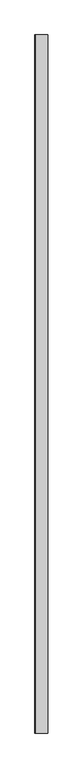
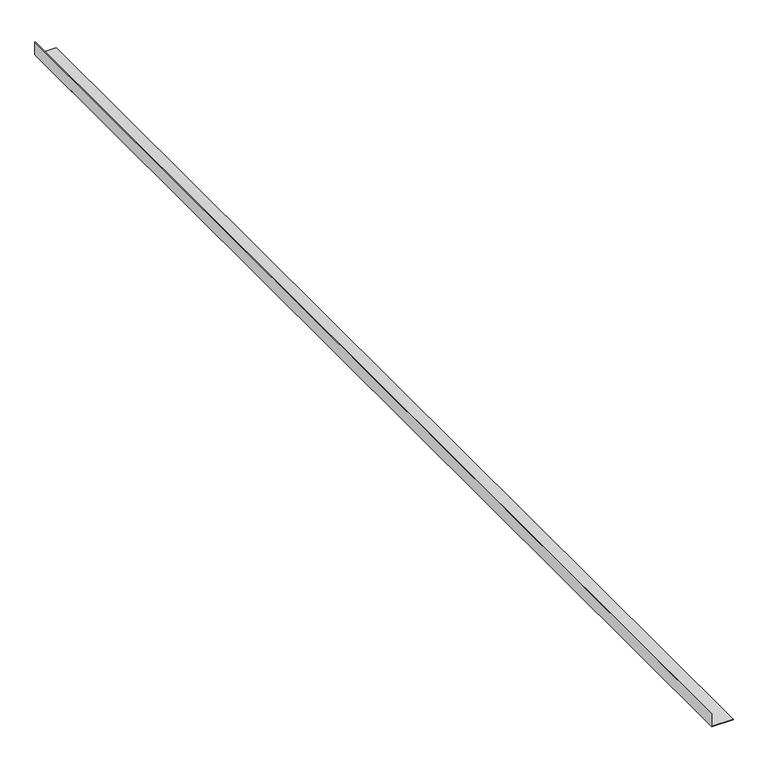
"""IFC4 building model written with IfcOpenShell, lengths in millimetres: proxy geometry."""

from ifc_helpers import new_model, si_unit, frame, origin, place, context, project, spatial, polyline, outline, extrude, source, transform, mapped, element, save


def generic_models_d02983fe(model_context):
    return source(origin(), model_context, "Body", "SweptSolid", [
        extrude(outline(polyline([(5720.8907309, 37820.2351179), (5644.6907309, 37820.2351179), (5644.6907309, 37940.2001815), (5646.2782309, 37940.2001815), (5646.2782309, 37821.8226179), (5720.8907309, 37821.8226179), (5720.8907309, 37820.2351179)])), frame((0.0, -25198.8929893, 0.0), z_axis=(0.0, 1.0, 0.0), x_axis=(0.0, 0.0, 1.0)), (0.0, 0.0, 1.0), 6533.92),
    ])


if __name__ == "__main__":
    model = new_model("IFC4")
    model_context = context("Model", 3, world=origin())
    ifc_project = project(units=[si_unit("LENGTHUNIT", "METRE", prefix="MILLI")], contexts=[model_context])
    site = spatial("IfcSite", under=ifc_project)
    building = spatial("IfcBuilding", under=site)
    placement = place(None, origin())
    generic_models_shape = generic_models_d02983fe(model_context)
    element("IfcBuildingElementProxy", 1, Name="Generic Models", at=placement, inside=building, context=model_context, shape_type="MappedRepresentation", body=[
        mapped(generic_models_shape, transform((0.0, 0.0, 0.0), x_axis=(1.0, 0.0, 0.0), y_axis=(0.0, 1.0, 0.0), z_axis=(0.0, 0.0, 1.0))),
    ])
    save(model, "model.ifc")
